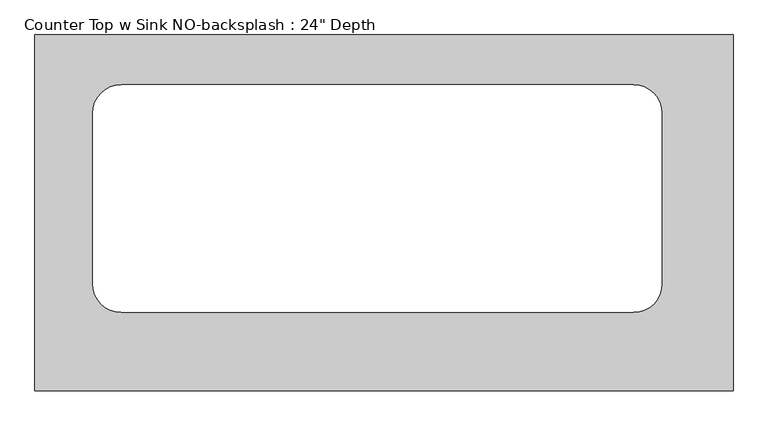
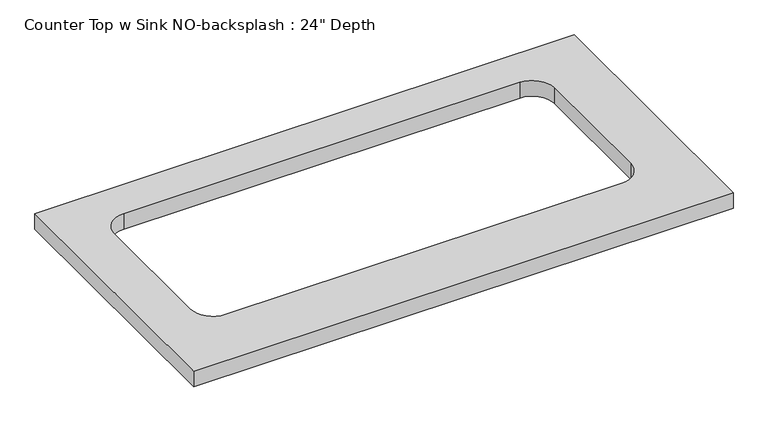
"""IFC4 building model written with IfcOpenShell, lengths in millimetres: furniture geometry."""

from ifc_helpers import new_model, si_unit, point, frame, frame_2d, origin, place, context, project, spatial, polyline, circle_curve, trimmed, segment, composite_curve, outline, extrude, source, transform, mapped, element, save


def furniture_d57c3760(model_context):
    return source(origin(), model_context, "Body", "SweptSolid", [
        extrude(outline(polyline([(45.7252049, 0.0), (-1200.4622951, 0.0), (-1200.4622951, 635.0), (45.7252049, 635.0), (45.7252049, 0.0)]), holes=[composite_curve([segment(trimmed(circle_curve(frame_2d((-132.0747951, 190.5)), 50.8), [point((-132.0747951, 139.7))], [point((-81.2747951, 190.5))], True, "CARTESIAN"), True, "CONTINUOUS"), segment(polyline([(-81.2747951, 190.5), (-81.2747951, 495.3)]), True, "CONTINUOUS"), segment(trimmed(circle_curve(frame_2d((-132.0747951, 495.3)), 50.8), [point((-81.2747951, 495.3))], [point((-132.0747951, 546.1))], True, "CARTESIAN"), True, "CONTINUOUS"), segment(polyline([(-132.0747951, 546.1), (-1046.4747951, 546.1)]), True, "CONTINUOUS"), segment(trimmed(circle_curve(frame_2d((-1046.4747951, 495.3)), 50.8), [point((-1046.4747951, 546.1))], [point((-1097.2747951, 495.3))], True, "CARTESIAN"), True, "CONTINUOUS"), segment(polyline([(-1097.2747951, 495.3), (-1097.2747951, 190.5)]), True, "CONTINUOUS"), segment(trimmed(circle_curve(frame_2d((-1046.4747951, 190.5)), 50.8), [point((-1097.2747951, 190.5))], [point((-1046.4747951, 139.7))], True, "CARTESIAN"), True, "CONTINUOUS"), segment(polyline([(-1046.4747951, 139.7), (-132.0747951, 139.7)]), True, "CONTINUOUS")], self_intersect=False)]), frame((0.0, 0.0, 876.3), z_axis=(0.0, 0.0, 1.0), x_axis=(1.0, 0.0, 0.0)), (0.0, 0.0, 1.0), 38.1),
    ])


if __name__ == "__main__":
    model = new_model("IFC4")
    model_context = context("Model", 3, world=origin())
    ifc_project = project(units=[si_unit("LENGTHUNIT", "METRE", prefix="MILLI")], contexts=[model_context])
    site = spatial("IfcSite", under=ifc_project)
    building = spatial("IfcBuilding", under=site)
    placement = place(None, origin())
    furniture_shape = furniture_d57c3760(model_context)
    element("IfcFurniture", 1, ObjectType="Counter Top w Sink NO-backsplash : 24\" Depth", at=placement, inside=building, context=model_context, shape_type="MappedRepresentation", body=[
        mapped(furniture_shape, transform((0.0, 0.0, 0.0), x_axis=(1.0, 0.0, 0.0), y_axis=(0.0, 1.0, 0.0), z_axis=(0.0, 0.0, 1.0))),
    ])
    save(model, "model.ifc")
